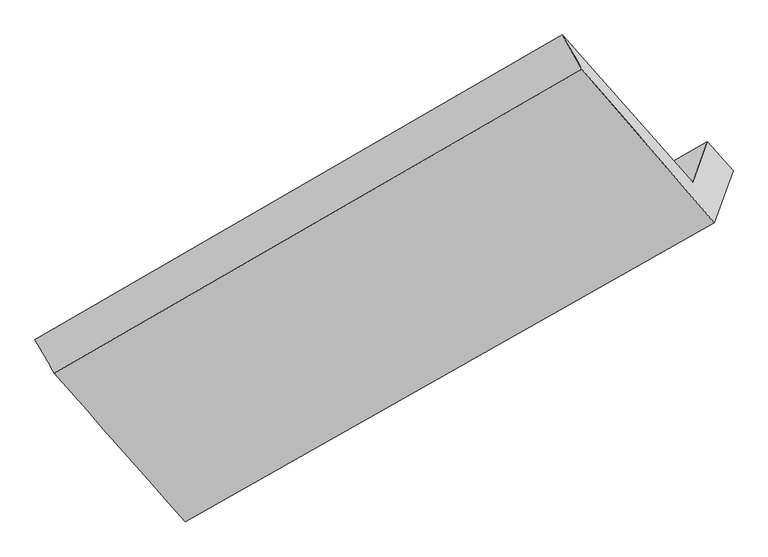
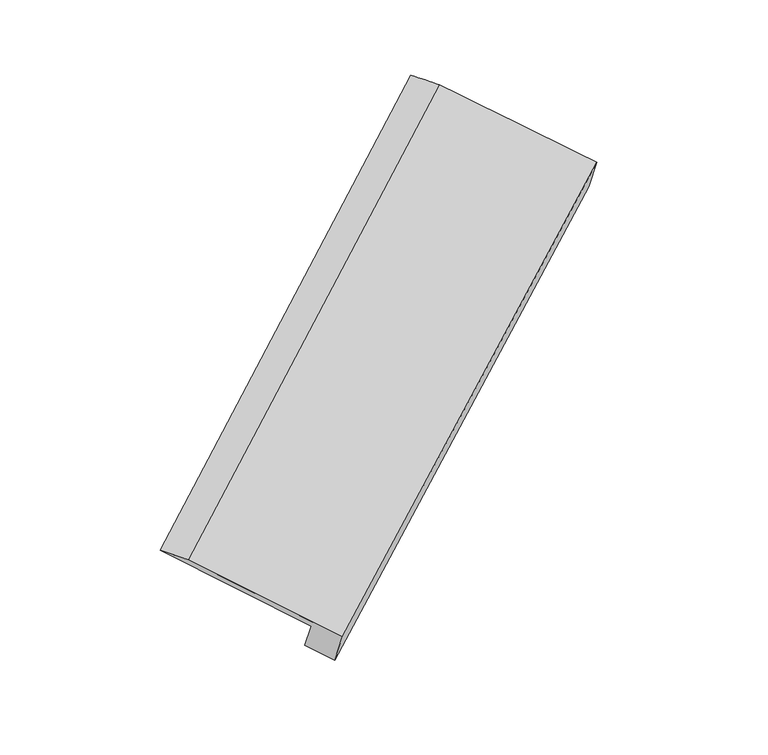
"""IFC4 building model written with IfcOpenShell, lengths in millimetres: proxy geometry."""

from ifc_helpers import new_model, si_unit, frame, origin, place, context, project, spatial, source, transform, mapped, element, save
from ifc_brep_helpers import plane_surface, spline_surface, advanced_brep


def generic_models_760893c8(model_context):
    return source(origin(), model_context, "Body", "AdvancedBrep", [
        advanced_brep(
        [(-4558.5820449, -2687.9060039, 204.6103812), (-4668.8885057, -2996.177001, 644.3424565), (-642.2943849, -701.7304465, 3182.8579848), (-531.6440881, -392.4985391, 2741.7552223), (-5642.4892128, -1896.8753994, 1170.7729024), (-1633.3731153, 418.4750579, 3719.5586118), (-5494.3865643, -2153.7548793, 1169.4258272), (-1483.6774323, 156.211642, 3720.1755233), (-4499.7892448, -3282.5196219, 636.6968748), (-476.8599061, -1010.9021217, 3200.5093437), (-4365.1667145, -2906.2930499, 100.0298095), (-335.0799484, -614.6728473, 2635.3094942)],
        [
            (0, 1),
            (1, 2),
            (2, 3),
            (3, 0),
            (1, 4),
            (4, 5),
            (5, 2),
            (4, 6),
            (6, 7),
            (7, 5),
            (6, 8),
            (8, 9),
            (9, 7),
            (8, 10),
            (10, 11),
            (11, 9),
            (10, 0),
            (3, 11),
        ],
        [
            plane_surface(frame((-4613.7352753, -2842.0415024, 424.4764189), z_axis=(-0.6184521646251933, 0.7079131381868365, 0.3411391341562532), x_axis=(-0.20120247630740595, -0.5622960567890389, 0.8020852249276668))),
            spline_surface(1, 1, [[(-4668.8885057, -2996.177001, 644.3424565), (-642.2943849, -701.7304465, 3182.8579848)], [(-5642.4892128, -1896.8753994, 1170.7729024), (-1633.3731153, 418.4750579, 3719.5586118)]], [2, 2], [2, 2], [0.0, 1.0], [0.0, 1.0]),
            spline_surface(1, 1, [[(-5642.4892128, -1896.8753994, 1170.7729024), (-1633.3731153, 418.4750579, 3719.5586118)], [(-5494.3865643, -2153.7548793, 1169.4258272), (-1483.6774323, 156.211642, 3720.1755233)]], [2, 2], [2, 2], [0.0, 1.0], [0.0, 1.0]),
            spline_surface(1, 1, [[(-5494.3865643, -2153.7548793, 1169.4258272), (-1483.6774323, 156.211642, 3720.1755233)], [(-4499.7892448, -3282.5196219, 636.6968748), (-476.8599061, -1010.9021217, 3200.5093437)]], [2, 2], [2, 2], [0.0, 1.0], [0.0, 1.0]),
            plane_surface(frame((-4432.4779797, -3094.4063359, 368.3633421), z_axis=(0.6176949442304044, -0.7083386727249189, -0.34162740023964444), x_axis=(0.20120247630742163, 0.5622960567890353, -0.8020852249276654))),
            spline_surface(1, 1, [[(-4365.1667145, -2906.2930499, 100.0298095), (-335.0799484, -614.6728473, 2635.3094942)], [(-4558.5820449, -2687.9060039, 204.6103812), (-531.6440881, -392.4985391, 2741.7552223)]], [2, 2], [2, 2], [0.0, 1.0], [0.0, 1.0]),
            plane_surface(frame((-850.4881459, -357.5195425, 3200.0276967), z_axis=(0.7553377566202444, 0.4322930421367739, 0.49253182551387487), x_axis=(0.20120247630742163, 0.5622960567890353, -0.8020852249276654))),
            plane_surface(frame((-4871.5503812, -2653.9209926, 654.3130419), z_axis=(-0.7549805286846449, -0.43269660217814643, -0.49272512800804186), x_axis=(0.6241169480432955, -0.7046962430601238, -0.33746294638385027))),
        ],
        [
            (0, [[1, 2, 3, 4]]),
            (1, [[5, 6, 7, -2]]),
            (2, [[8, 9, 10, -6]]),
            (3, [[11, 12, 13, -9]]),
            (4, [[14, 15, 16, -12]]),
            (5, [[17, -4, 18, -15]]),
            (6, [[-16, -18, -3, -7, -10, -13]]),
            (7, [[-17, -14, -11, -8, -5, -1]]),
        ],
    ),
    ])


if __name__ == "__main__":
    model = new_model("IFC4")
    model_context = context("Model", 3, world=origin())
    ifc_project = project(units=[si_unit("LENGTHUNIT", "METRE", prefix="MILLI")], contexts=[model_context])
    site = spatial("IfcSite", under=ifc_project)
    building = spatial("IfcBuilding", under=site)
    placement = place(None, origin())
    generic_models_shape = generic_models_760893c8(model_context)
    element("IfcBuildingElementProxy", 1, Name="Generic Models", at=placement, inside=building, context=model_context, shape_type="MappedRepresentation", body=[
        mapped(generic_models_shape, transform((0.0, 0.0, 0.0), x_axis=(1.0, 0.0, 0.0), y_axis=(0.0, 1.0, 0.0), z_axis=(0.0, 0.0, 1.0))),
    ])
    save(model, "model.ifc")
